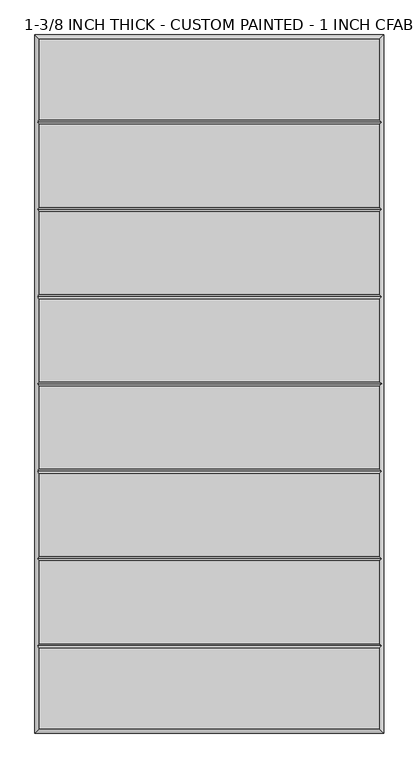
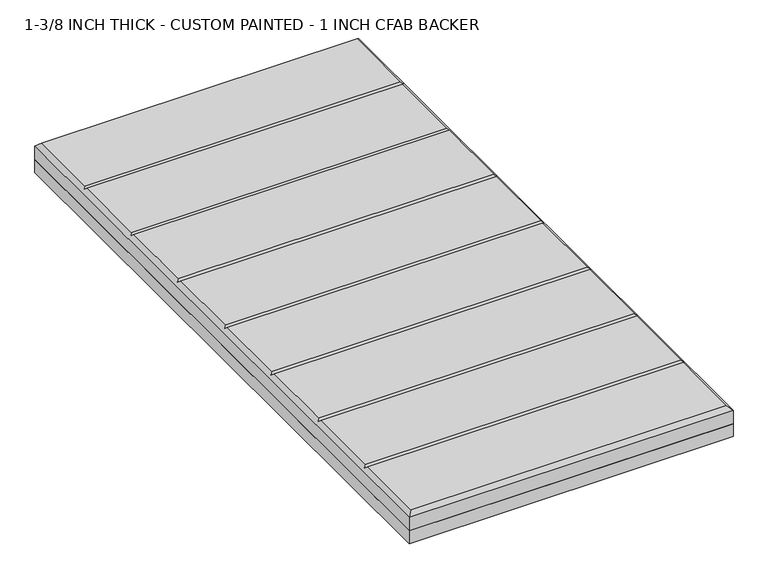
"""IFC4 building model written with IfcOpenShell, lengths in millimetres: proxy geometry, 1-3/8 INCH THICK - CUSTOM PAINTED - 1 INCH CFAB BACKER."""

from ifc_helpers import new_model, si_unit, frame, origin, place, context, project, spatial, polyline, outline, extrude, faceted_brep, source, transform, mapped, element, save


def proxy_1_3_8_inch_thick_custom_painted_1_inch_cfab_backer_199f1b29(model_context):
    return source(origin(), model_context, "Body", "SolidModel", [
        extrude(outline(polyline([(-304.8, 609.6), (304.8, 609.6), (304.8, -609.6), (-304.8, -609.6), (-304.8, 609.6)])), frame((0.0, 0.0, -25.4), z_axis=(0.0, 0.0, 1.0), x_axis=(1.0, 0.0, 0.0)), (0.0, 0.0, 1.0), 25.4),
        faceted_brep([(296.799, 601.599, 34.925), (-296.799, 601.599, 34.925), (-296.799, 461.2005254, 34.925), (296.799, 461.2005254, 34.925), (-296.799, -601.599, 34.925), (296.799, -601.599, 34.925), (296.799, -461.2004746, 34.925), (-296.799, -461.2004746, 34.925), (296.799, 453.1995254, 34.925), (-296.799, 453.1995254, 34.925), (-296.799, 308.8005254, 34.925), (296.799, 308.8005254, 34.925), (296.799, -308.8005, 34.925), (-296.799, -308.8005, 34.925), (-296.799, -453.1994746, 34.925), (296.799, -453.1994746, 34.925), (-296.799, -300.7995, 34.925), (296.799, -300.7995, 34.925), (296.799, -156.4004746, 34.925), (-296.799, -156.4004746, 34.925), (296.799, 300.7995254, 34.925), (-296.799, 300.7995254, 34.925), (-296.799, 156.4005254, 34.925), (296.799, 156.4005254, 34.925), (296.799, 148.3995254, 34.925), (-296.799, 148.3995254, 34.925), (-296.799, 4.0005254, 34.925), (296.799, 4.0005254, 34.925), (296.799, -4.0004746, 34.925), (-296.799, -4.0004746, 34.925), (-296.799, -148.3994746, 34.925), (296.799, -148.3994746, 34.925), (-304.8, 609.6, 0.0), (304.8, 609.6, 0.0), (304.8, -609.6, 0.0), (-304.8, -609.6, 0.0), (-304.8, -609.6, 26.924), (-304.8, 609.6, 26.924), (304.8, -609.6, 26.924), (304.8, 609.6, 26.924), (-300.7995, -457.1999746, 30.9245), (-300.7995, -304.8, 30.9245), (-300.7995, -152.3999746, 30.9245), (-300.7995, 2.54e-05, 30.9245), (-300.7995, 152.4000254, 30.9245), (-300.7995, 304.8000254, 30.9245), (-300.7995, 457.2000254, 30.9245), (300.7995, 457.2000254, 30.9245), (300.7995, 304.8000254, 30.9245), (300.7995, 152.4000254, 30.9245), (300.7995, 2.54e-05, 30.9245), (300.7995, -152.3999746, 30.9245), (300.7995, -304.8, 30.9245), (300.7995, -457.1999746, 30.9245)], [[[0, 1, 2, 3]], [[4, 5, 6, 7]], [[8, 9, 10, 11]], [[12, 13, 14, 15]], [[16, 17, 18, 19]], [[20, 21, 22, 23]], [[24, 25, 26, 27]], [[28, 29, 30, 31]], [[32, 33, 34, 35]], [[32, 35, 36, 37]], [[35, 34, 38, 36]], [[34, 33, 39, 38]], [[33, 32, 37, 39]], [[37, 1, 0, 39]], [[1, 37, 36, 4, 7, 40, 14, 13, 41, 16, 19, 42, 30, 29, 43, 26, 25, 44, 22, 21, 45, 10, 9, 46, 2]], [[4, 36, 38, 5]], [[39, 0, 3, 47, 8, 11, 48, 20, 23, 49, 24, 27, 50, 28, 31, 51, 18, 17, 52, 12, 15, 53, 6, 5, 38]], [[47, 46, 9, 8]], [[46, 47, 3, 2]], [[52, 41, 13, 12]], [[41, 52, 17, 16]], [[53, 40, 7, 6]], [[40, 53, 15, 14]], [[48, 45, 21, 20]], [[45, 48, 11, 10]], [[49, 44, 25, 24]], [[44, 49, 23, 22]], [[50, 43, 29, 28]], [[43, 50, 27, 26]], [[51, 42, 19, 18]], [[42, 51, 31, 30]]]),
    ])


if __name__ == "__main__":
    model = new_model("IFC4")
    model_context = context("Model", 3, world=origin())
    ifc_project = project(units=[si_unit("LENGTHUNIT", "METRE", prefix="MILLI")], contexts=[model_context])
    site = spatial("IfcSite", under=ifc_project)
    building = spatial("IfcBuilding", under=site)
    placement = place(None, origin())
    proxy_1_3_8_inch_thick_custom_painted_1_inch_cfab_backer_shape = proxy_1_3_8_inch_thick_custom_painted_1_inch_cfab_backer_199f1b29(model_context)
    element("IfcBuildingElementProxy", 1, Name="1-3/8 INCH THICK - CUSTOM PAINTED - 1 INCH CFAB BACKER", ObjectType="1-3/8 INCH THICK - CUSTOM PAINTED - 1 INCH CFAB BACKER", at=placement, inside=building, context=model_context, shape_type="MappedRepresentation", body=[
        mapped(proxy_1_3_8_inch_thick_custom_painted_1_inch_cfab_backer_shape, transform((0.0, 0.0, 0.0), x_axis=(1.0, 0.0, 0.0), y_axis=(0.0, 1.0, 0.0), z_axis=(0.0, 0.0, 1.0))),
    ])
    save(model, "model.ifc")
